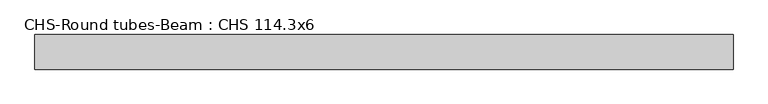
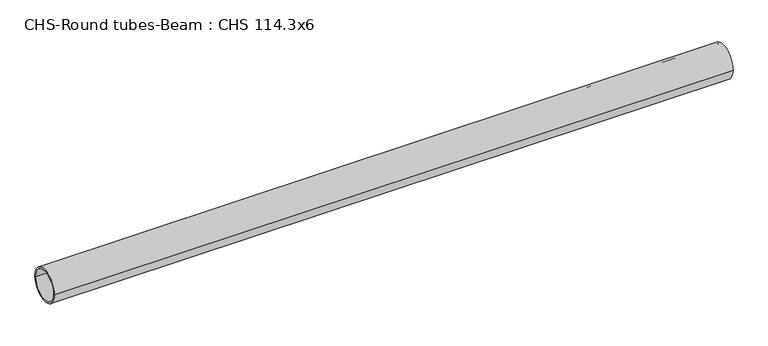
"""IFC4 building model written with IfcOpenShell, lengths in millimetres: beam geometry, CHS-Round tubes-Beam : CHS 114.3x6."""

from ifc_helpers import new_model, si_unit, point, frame, origin, origin_2d, place, context, project, spatial, circle_curve, trimmed, segment, composite_curve, outline, extrude, source, transform, mapped, element, save


def chs_round_tubes_beam_chs_114_3x6_b0a03dd3(model_context):
    return source(origin(), model_context, "Body", "SweptSolid", [
        extrude(outline(composite_curve([segment(trimmed(circle_curve(origin_2d(), 57.15), [point((57.15, 0.0))], [point((-57.15, 0.0))], False, "CARTESIAN"), True, "CONTINUOUS"), segment(trimmed(circle_curve(origin_2d(), 57.15), [point((-57.15, 0.0))], [point((57.15, 0.0))], False, "CARTESIAN"), True, "CONTINUOUS")], self_intersect=False), holes=[composite_curve([segment(trimmed(circle_curve(origin_2d(), 51.15), [point((51.15, 0.0))], [point((-51.15, 0.0))], True, "CARTESIAN"), True, "CONTINUOUS"), segment(trimmed(circle_curve(origin_2d(), 51.15), [point((-51.15, 0.0))], [point((51.15, 0.0))], True, "CARTESIAN"), True, "CONTINUOUS")], self_intersect=False)]), frame((-1104.5912108, 0.0, 0.0), z_axis=(1.0, 0.0, 0.0), x_axis=(0.0, 1.0, 0.0)), (0.0, 0.0, 1.0), 2306.872422),
    ])


if __name__ == "__main__":
    model = new_model("IFC4")
    model_context = context("Model", 3, world=origin())
    ifc_project = project(units=[si_unit("LENGTHUNIT", "METRE", prefix="MILLI")], contexts=[model_context])
    site = spatial("IfcSite", under=ifc_project)
    building = spatial("IfcBuilding", under=site)
    placement = place(None, origin())
    chs_round_tubes_beam_chs_114_3x6_shape = chs_round_tubes_beam_chs_114_3x6_b0a03dd3(model_context)
    element("IfcBeam", 1, ObjectType="CHS-Round tubes-Beam : CHS 114.3x6", at=placement, inside=building, context=model_context, shape_type="MappedRepresentation", body=[
        mapped(chs_round_tubes_beam_chs_114_3x6_shape, transform((0.0, 0.0, 0.0), x_axis=(1.0, 0.0, 0.0), y_axis=(0.0, 1.0, 0.0), z_axis=(0.0, 0.0, 1.0))),
    ])
    save(model, "model.ifc")
